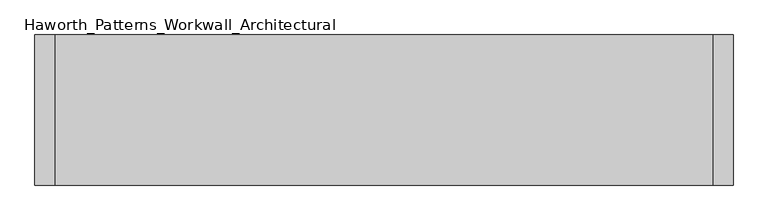
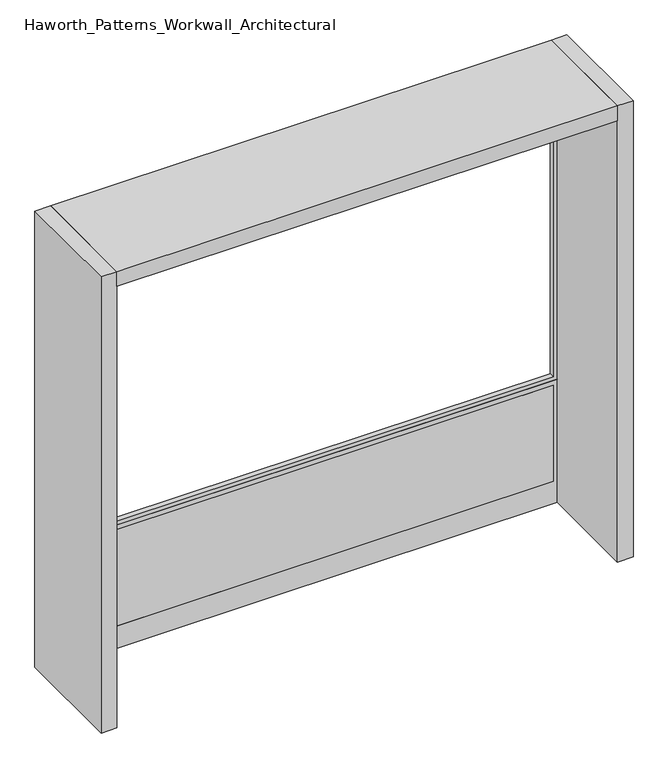
"""IFC4 building model written with IfcOpenShell, lengths in millimetres: furniture geometry, Haworth_Patterns_Workwall_Architectural."""

from ifc_helpers import new_model, si_unit, frame, origin, origin_with_axes, place, context, project, spatial, polyline, outline, extrude, source, transform, mapped, element, save


def haworth_patterns_workwall_architectural_915acc1a(model_context):
    return source(origin(), model_context, "Body", "SweptSolid", [
        extrude(outline(polyline([(2273.3, 609.6), (2273.3, -1828.8), (635.0, -1828.8), (635.0, 609.6), (2273.3, 609.6)]), holes=[polyline([(2254.25, 590.55), (654.05, 590.55), (654.05, -1809.75), (2254.25, -1809.75), (2254.25, 590.55)])]), frame((0.0, 330.2, 0.0), z_axis=(0.0, 1.0, 0.0), x_axis=(0.0, 0.0, 1.0)), (0.0, 0.0, 1.0), 25.4),
        extrude(outline(polyline([(590.55, 330.2), (-1809.75, 330.2), (-1809.75, 355.6), (590.55, 355.6), (590.55, 330.2)])), frame((0.0, 0.0, 114.3), z_axis=(0.0, 0.0, 1.0), x_axis=(1.0, 0.0, 0.0)), (0.0, 0.0, 1.0), 495.3),
        extrude(outline(polyline([(635.0, 609.6), (635.0, -1828.8), (0.0, -1828.8), (0.0, 609.6), (635.0, 609.6)]), holes=[polyline([(609.6, 590.55), (114.3, 590.55), (114.3, -1809.75), (609.6, -1809.75), (609.6, 590.55)])]), frame((0.0, 330.2, 0.0), z_axis=(0.0, 1.0, 0.0), x_axis=(0.0, 0.0, 1.0)), (0.0, 0.0, 1.0), 25.4),
        extrude(outline(polyline([(609.6, -177.8), (-1828.8, -177.8), (-1828.8, 381.0), (609.6, 381.0), (609.6, -177.8)])), frame((0.0, 0.0, 2273.3), z_axis=(0.0, 0.0, 1.0), x_axis=(1.0, 0.0, 0.0)), (0.0, 0.0, 1.0), 76.2),
        extrude(outline(polyline([(685.8, 381.0), (685.8, -177.8), (609.6, -177.8), (609.6, 381.0), (685.8, 381.0)])), origin_with_axes(), (0.0, 0.0, 1.0), 2349.5),
        extrude(outline(polyline([(-1828.8, 381.0), (-1828.8, -177.8), (-1905.0, -177.8), (-1905.0, 381.0), (-1828.8, 381.0)])), origin_with_axes(), (0.0, 0.0, 1.0), 2349.5),
    ])


if __name__ == "__main__":
    model = new_model("IFC4")
    model_context = context("Model", 3, world=origin())
    ifc_project = project(units=[si_unit("LENGTHUNIT", "METRE", prefix="MILLI")], contexts=[model_context])
    site = spatial("IfcSite", under=ifc_project)
    building = spatial("IfcBuilding", under=site)
    placement = place(None, origin())
    haworth_patterns_workwall_architectural_shape = haworth_patterns_workwall_architectural_915acc1a(model_context)
    element("IfcFurniture", 1, ObjectType="Haworth_Patterns_Workwall_Architectural", at=placement, inside=building, context=model_context, shape_type="MappedRepresentation", body=[
        mapped(haworth_patterns_workwall_architectural_shape, transform((0.0, 0.0, 0.0), x_axis=(1.0, 0.0, 0.0), y_axis=(0.0, 1.0, 0.0), z_axis=(0.0, 0.0, 1.0))),
    ])
    save(model, "model.ifc")
